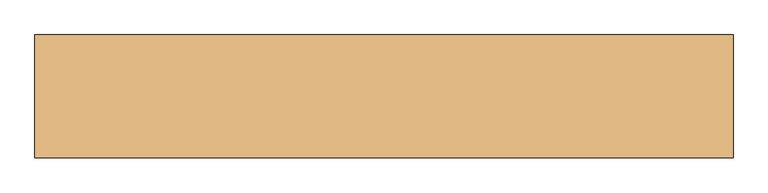
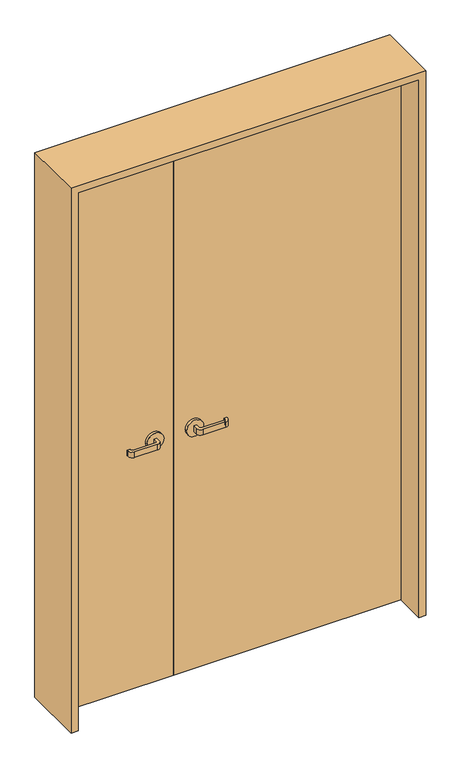
"""IFC4 building model written with IfcOpenShell, lengths in millimetres: door geometry."""

from ifc_helpers import new_model, si_unit, point, frame, frame_2d, origin, origin_with_axes, place, context, project, spatial, polyline, circle_curve, trimmed, segment, composite_curve, outline, extrude, source, transform, mapped, element, save


def door_95390efa(model_context):
    return source(origin(), model_context, "Body", "SweptSolid", [
        extrude(outline(polyline([(591.5283918, 40.0), (591.5283918, 0.0), (-208.4716082, 0.0), (-208.4716082, 40.0), (591.5283918, 40.0)])), origin_with_axes(), (0.0, 0.0, 1.0), 2000.0),
        extrude(outline(polyline([(-208.4716082, 40.0), (-208.4716082, 0.0), (-608.4716082, 0.0), (-608.4716082, 40.0), (-208.4716082, 40.0)])), origin_with_axes(), (0.0, 0.0, 1.0), 2000.0),
        extrude(outline(composite_curve([segment(polyline([(-283.4716082, 50.0), (-283.4716082, 65.0)]), True, "CONTINUOUS"), segment(trimmed(circle_curve(frame_2d((-288.4716082, 65.0)), 5.0), [point((-283.4716082, 65.0))], [point((-288.4716082, 70.0))], True, "CARTESIAN"), True, "CONTINUOUS"), segment(polyline([(-288.4716082, 70.0), (-368.4716082, 70.0)]), True, "CONTINUOUS"), segment(trimmed(circle_curve(frame_2d((-368.4716082, 65.0)), 5.0), [point((-368.4716082, 70.0))], [point((-373.4716082, 65.0))], True, "CARTESIAN"), True, "CONTINUOUS"), segment(polyline([(-373.4716082, 65.0), (-373.4716082, 60.0), (-383.4716082, 60.0), (-383.4716082, 65.0)]), True, "CONTINUOUS"), segment(trimmed(circle_curve(frame_2d((-368.4716082, 65.0)), 15.0), [point((-383.4716082, 65.0))], [point((-368.4716082, 80.0))], False, "CARTESIAN"), True, "CONTINUOUS"), segment(polyline([(-368.4716082, 80.0), (-288.4716082, 80.0)]), True, "CONTINUOUS"), segment(trimmed(circle_curve(frame_2d((-288.4716082, 65.0)), 15.0), [point((-288.4716082, 80.0))], [point((-273.4716082, 65.0))], False, "CARTESIAN"), True, "CONTINUOUS"), segment(polyline([(-273.4716082, 65.0), (-273.4716082, 50.0), (-283.4716082, 50.0)]), True, "CONTINUOUS")], self_intersect=False)), frame((0.0, 0.0, 890.0), z_axis=(0.0, 0.0, 1.0), x_axis=(1.0, 0.0, 0.0)), (0.0, 0.0, 1.0), 20.0),
        extrude(outline(composite_curve([segment(trimmed(circle_curve(frame_2d((900.0, -278.4716082)), 30.0), [point((900.0, -248.4716082))], [point((900.0, -308.4716082))], False, "CARTESIAN"), True, "CONTINUOUS"), segment(trimmed(circle_curve(frame_2d((900.0, -278.4716082)), 30.0), [point((900.0, -308.4716082))], [point((900.0, -248.4716082))], False, "CARTESIAN"), True, "CONTINUOUS")], self_intersect=False)), frame((0.0, 40.0, 0.0), z_axis=(0.0, 1.0, 0.0), x_axis=(0.0, 0.0, 1.0)), (0.0, 0.0, 1.0), 10.0),
        extrude(outline(composite_curve([segment(polyline([(-273.4716082, -10.0), (-273.4716082, -25.0)]), True, "CONTINUOUS"), segment(trimmed(circle_curve(frame_2d((-288.4716082, -25.0)), 15.0), [point((-273.4716082, -25.0))], [point((-288.4716082, -40.0))], False, "CARTESIAN"), True, "CONTINUOUS"), segment(polyline([(-288.4716082, -40.0), (-368.4716082, -40.0)]), True, "CONTINUOUS"), segment(trimmed(circle_curve(frame_2d((-368.4716082, -25.0)), 15.0), [point((-368.4716082, -40.0))], [point((-383.4716082, -25.0))], False, "CARTESIAN"), True, "CONTINUOUS"), segment(polyline([(-383.4716082, -25.0), (-383.4716082, -20.0), (-373.4716082, -20.0), (-373.4716082, -25.0)]), True, "CONTINUOUS"), segment(trimmed(circle_curve(frame_2d((-368.4716082, -25.0)), 5.0), [point((-373.4716082, -25.0))], [point((-368.4716082, -30.0))], True, "CARTESIAN"), True, "CONTINUOUS"), segment(polyline([(-368.4716082, -30.0), (-288.4716082, -30.0)]), True, "CONTINUOUS"), segment(trimmed(circle_curve(frame_2d((-288.4716082, -25.0)), 5.0), [point((-288.4716082, -30.0))], [point((-283.4716082, -25.0))], True, "CARTESIAN"), True, "CONTINUOUS"), segment(polyline([(-283.4716082, -25.0), (-283.4716082, -10.0), (-273.4716082, -10.0)]), True, "CONTINUOUS")], self_intersect=False)), frame((0.0, 0.0, 890.0), z_axis=(0.0, 0.0, 1.0), x_axis=(1.0, 0.0, 0.0)), (0.0, 0.0, 1.0), 20.0),
        extrude(outline(composite_curve([segment(trimmed(circle_curve(frame_2d((900.0, -278.4716082)), 30.0), [point((900.0, -248.4716082))], [point((900.0, -308.4716082))], False, "CARTESIAN"), True, "CONTINUOUS"), segment(trimmed(circle_curve(frame_2d((900.0, -278.4716082)), 30.0), [point((900.0, -308.4716082))], [point((900.0, -248.4716082))], False, "CARTESIAN"), True, "CONTINUOUS")], self_intersect=False)), frame((0.0, -10.0, 0.0), z_axis=(0.0, 1.0, 0.0), x_axis=(0.0, 0.0, 1.0)), (0.0, 0.0, 1.0), 10.0),
        extrude(outline(composite_curve([segment(polyline([(-133.4716082, 50.0), (-143.4716082, 50.0), (-143.4716082, 65.0)]), True, "CONTINUOUS"), segment(trimmed(circle_curve(frame_2d((-128.4716082, 65.0)), 15.0), [point((-143.4716082, 65.0))], [point((-128.4716082, 80.0))], False, "CARTESIAN"), True, "CONTINUOUS"), segment(polyline([(-128.4716082, 80.0), (-48.4716082, 80.0)]), True, "CONTINUOUS"), segment(trimmed(circle_curve(frame_2d((-48.4716082, 65.0)), 15.0), [point((-48.4716082, 80.0))], [point((-33.4716082, 65.0))], False, "CARTESIAN"), True, "CONTINUOUS"), segment(polyline([(-33.4716082, 65.0), (-33.4716082, 60.0), (-43.4716082, 60.0), (-43.4716082, 65.0)]), True, "CONTINUOUS"), segment(trimmed(circle_curve(frame_2d((-48.4716082, 65.0)), 5.0), [point((-43.4716082, 65.0))], [point((-48.4716082, 70.0))], True, "CARTESIAN"), True, "CONTINUOUS"), segment(polyline([(-48.4716082, 70.0), (-128.4716082, 70.0)]), True, "CONTINUOUS"), segment(trimmed(circle_curve(frame_2d((-128.4716082, 65.0)), 5.0), [point((-128.4716082, 70.0))], [point((-133.4716082, 65.0))], True, "CARTESIAN"), True, "CONTINUOUS"), segment(polyline([(-133.4716082, 65.0), (-133.4716082, 50.0)]), True, "CONTINUOUS")], self_intersect=False)), frame((0.0, 0.0, 890.0), z_axis=(0.0, 0.0, 1.0), x_axis=(1.0, 0.0, 0.0)), (0.0, 0.0, 1.0), 20.0),
        extrude(outline(composite_curve([segment(trimmed(circle_curve(frame_2d((900.0, -138.4716082)), 30.0), [point((900.0, -168.4716082))], [point((900.0, -108.4716082))], False, "CARTESIAN"), True, "CONTINUOUS"), segment(trimmed(circle_curve(frame_2d((900.0, -138.4716082)), 30.0), [point((900.0, -108.4716082))], [point((900.0, -168.4716082))], False, "CARTESIAN"), True, "CONTINUOUS")], self_intersect=False)), frame((0.0, 40.0, 0.0), z_axis=(0.0, 1.0, 0.0), x_axis=(0.0, 0.0, 1.0)), (0.0, 0.0, 1.0), 10.0),
        extrude(outline(composite_curve([segment(polyline([(-143.4716082, -10.0), (-133.4716082, -10.0), (-133.4716082, -25.0)]), True, "CONTINUOUS"), segment(trimmed(circle_curve(frame_2d((-128.4716082, -25.0)), 5.0), [point((-133.4716082, -25.0))], [point((-128.4716082, -30.0))], True, "CARTESIAN"), True, "CONTINUOUS"), segment(polyline([(-128.4716082, -30.0), (-48.4716082, -30.0)]), True, "CONTINUOUS"), segment(trimmed(circle_curve(frame_2d((-48.4716082, -25.0)), 5.0), [point((-48.4716082, -30.0))], [point((-43.4716082, -25.0))], True, "CARTESIAN"), True, "CONTINUOUS"), segment(polyline([(-43.4716082, -25.0), (-43.4716082, -20.0), (-33.4716082, -20.0), (-33.4716082, -25.0)]), True, "CONTINUOUS"), segment(trimmed(circle_curve(frame_2d((-48.4716082, -25.0)), 15.0), [point((-33.4716082, -25.0))], [point((-48.4716082, -40.0))], False, "CARTESIAN"), True, "CONTINUOUS"), segment(polyline([(-48.4716082, -40.0), (-128.4716082, -40.0)]), True, "CONTINUOUS"), segment(trimmed(circle_curve(frame_2d((-128.4716082, -25.0)), 15.0), [point((-128.4716082, -40.0))], [point((-143.4716082, -25.0))], False, "CARTESIAN"), True, "CONTINUOUS"), segment(polyline([(-143.4716082, -25.0), (-143.4716082, -10.0)]), True, "CONTINUOUS")], self_intersect=False)), frame((0.0, 0.0, 890.0), z_axis=(0.0, 0.0, 1.0), x_axis=(1.0, 0.0, 0.0)), (0.0, 0.0, 1.0), 20.0),
        extrude(outline(composite_curve([segment(trimmed(circle_curve(frame_2d((900.0, -138.4716082)), 30.0), [point((900.0, -168.4716082))], [point((900.0, -108.4716082))], False, "CARTESIAN"), True, "CONTINUOUS"), segment(trimmed(circle_curve(frame_2d((900.0, -138.4716082)), 30.0), [point((900.0, -108.4716082))], [point((900.0, -168.4716082))], False, "CARTESIAN"), True, "CONTINUOUS")], self_intersect=False)), frame((0.0, -10.0, 0.0), z_axis=(0.0, 1.0, 0.0), x_axis=(0.0, 0.0, 1.0)), (0.0, 0.0, 1.0), 10.0),
        extrude(outline(polyline([(0.0, -633.4716082), (0.0, -608.4716082), (2000.0, -608.4716082), (2000.0, 591.5283918), (0.0, 591.5283918), (0.0, 616.5283918), (2025.0, 616.5283918), (2025.0, -633.4716082), (0.0, -633.4716082)])), frame((0.0, -110.0, 0.0), z_axis=(0.0, 1.0, 0.0), x_axis=(0.0, 0.0, 1.0)), (0.0, 0.0, 1.0), 220.0),
    ])


if __name__ == "__main__":
    model = new_model("IFC4")
    model_context = context("Model", 3, world=origin())
    ifc_project = project(units=[si_unit("LENGTHUNIT", "METRE", prefix="MILLI")], contexts=[model_context])
    site = spatial("IfcSite", under=ifc_project)
    building = spatial("IfcBuilding", under=site)
    placement = place(None, origin())
    door_shape = door_95390efa(model_context)
    element("IfcDoor", 1, at=placement, inside=building, context=model_context, shape_type="MappedRepresentation", body=[
        mapped(door_shape, transform((0.0, 0.0, 0.0), x_axis=(1.0, 0.0, 0.0), y_axis=(0.0, 1.0, 0.0), z_axis=(0.0, 0.0, 1.0))),
    ])
    save(model, "model.ifc")
